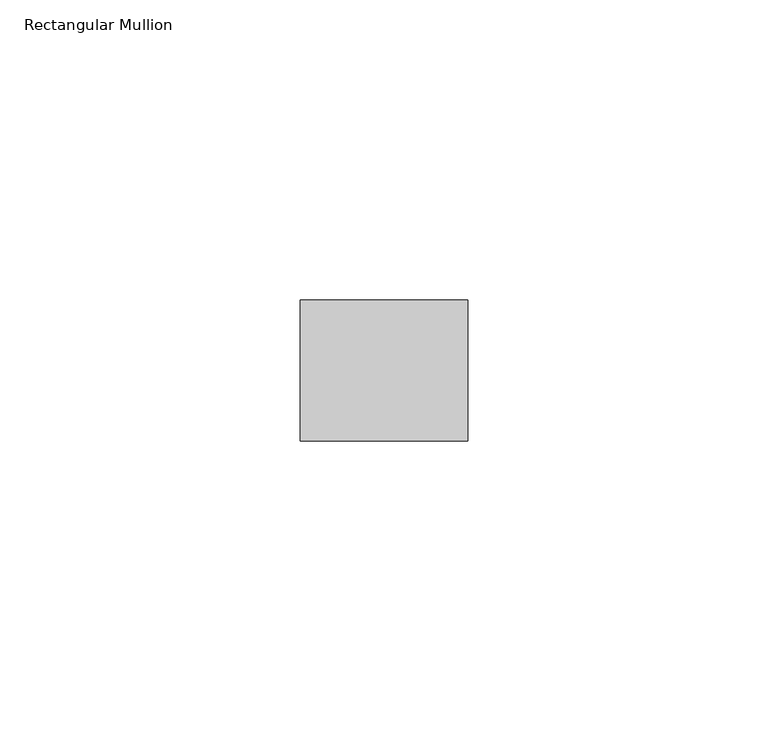
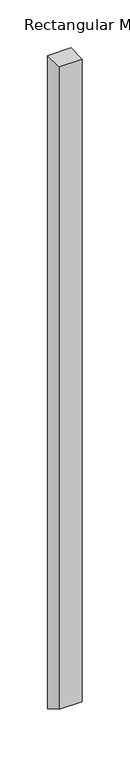
"""IFC4 building model written with IfcOpenShell, lengths in millimetres: member geometry, Rectangular Mullion."""

from ifc_helpers import new_model, si_unit, frame, origin, place, context, project, spatial, polyline, outline, extrude, source, transform, mapped, element, save


def rectangular_mullion_0cdb5d15(model_context):
    return source(origin(), model_context, "Body", "SweptSolid", [
        extrude(outline(polyline([(-11.7474999, 0.0), (11.7474999, 0.0), (11.7474999, -832.2824222), (-11.7474999, -818.7175778), (-11.7474999, 0.0)])), frame((-27.94, 0.0, 0.0), z_axis=(1.0, 0.0, 0.0), x_axis=(0.0, 1.0, 0.0)), (0.0, 0.0, 1.0), 27.94),
    ])


if __name__ == "__main__":
    model = new_model("IFC4")
    model_context = context("Model", 3, world=origin())
    ifc_project = project(units=[si_unit("LENGTHUNIT", "METRE", prefix="MILLI")], contexts=[model_context])
    site = spatial("IfcSite", under=ifc_project)
    building = spatial("IfcBuilding", under=site)
    placement = place(None, origin())
    rectangular_mullion_shape = rectangular_mullion_0cdb5d15(model_context)
    element("IfcMember", 1, ObjectType="Rectangular Mullion", at=placement, inside=building, context=model_context, shape_type="MappedRepresentation", body=[
        mapped(rectangular_mullion_shape, transform((0.0, 0.0, 0.0), x_axis=(1.0, 0.0, 0.0), y_axis=(0.0, 1.0, 0.0), z_axis=(0.0, 0.0, 1.0))),
    ])
    save(model, "model.ifc")
